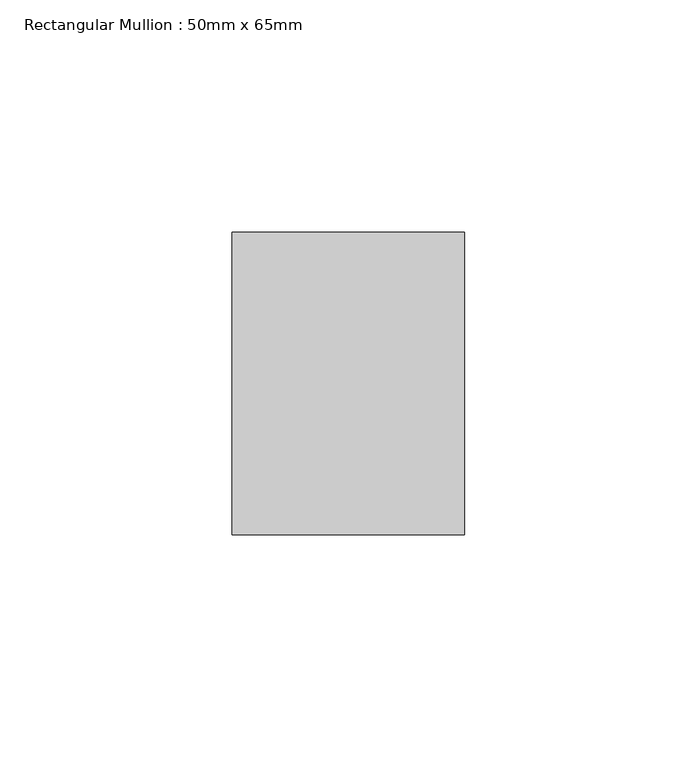
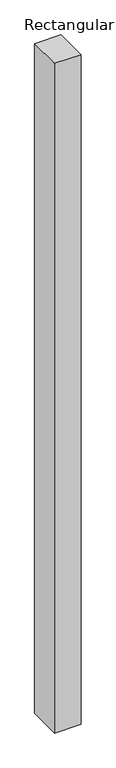
"""IFC4 building model written with IfcOpenShell, lengths in millimetres: member geometry, Rectangular Mullion : 50mm x 65mm."""

from ifc_helpers import new_model, si_unit, frame, origin, place, context, project, spatial, polyline, outline, extrude, source, transform, mapped, element, save


def rectangular_mullion_50mm_x_65mm_f2e10e66(model_context):
    return source(origin(), model_context, "Body", "SweptSolid", [
        extrude(outline(polyline([(25.0, 32.5), (25.0, -32.5), (-25.0, -32.5), (-25.0, 32.5), (25.0, 32.5)])), frame((0.0, 0.0, -1337.4794707), z_axis=(0.0, 0.0, 1.0), x_axis=(1.0, 0.0, 0.0)), (0.0, 0.0, 1.0), 1337.4794707),
    ])


if __name__ == "__main__":
    model = new_model("IFC4")
    model_context = context("Model", 3, world=origin())
    ifc_project = project(units=[si_unit("LENGTHUNIT", "METRE", prefix="MILLI")], contexts=[model_context])
    site = spatial("IfcSite", under=ifc_project)
    building = spatial("IfcBuilding", under=site)
    placement = place(None, origin())
    rectangular_mullion_50mm_x_65mm_shape = rectangular_mullion_50mm_x_65mm_f2e10e66(model_context)
    element("IfcMember", 1, ObjectType="Rectangular Mullion : 50mm x 65mm", at=placement, inside=building, context=model_context, shape_type="MappedRepresentation", body=[
        mapped(rectangular_mullion_50mm_x_65mm_shape, transform((0.0, 0.0, 0.0), x_axis=(1.0, 0.0, 0.0), y_axis=(0.0, 1.0, 0.0), z_axis=(0.0, 0.0, 1.0))),
    ])
    save(model, "model.ifc")
